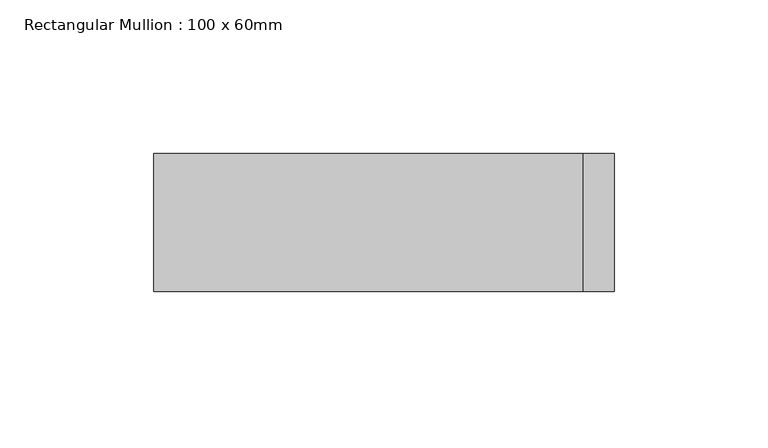
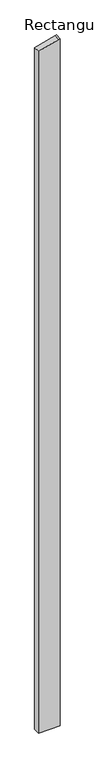
"""IFC4 building model written with IfcOpenShell, lengths in millimetres: member geometry, Rectangular Mullion : 100 x 60mm."""

from ifc_helpers import new_model, si_unit, frame, origin, place, context, project, spatial, polyline, outline, extrude, source, transform, mapped, element, save


def rectangular_mullion_100_x_60mm_8bec23c1(model_context):
    return source(origin(), model_context, "Body", "SweptSolid", [
        extrude(outline(polyline([(-238.7228557, 75.0), (-241.4814566, 64.7047613), (-278.9152345, -75.0), (-5256.0718257, -75.0), (-5256.0718257, 75.0), (-238.7228557, 75.0)])), frame((0.0, -30.0, 0.0), z_axis=(0.0, 1.0, 0.0), x_axis=(0.0, 0.0, 1.0)), (0.0, 0.0, 1.0), 45.0),
    ])


if __name__ == "__main__":
    model = new_model("IFC4")
    model_context = context("Model", 3, world=origin())
    ifc_project = project(units=[si_unit("LENGTHUNIT", "METRE", prefix="MILLI")], contexts=[model_context])
    site = spatial("IfcSite", under=ifc_project)
    building = spatial("IfcBuilding", under=site)
    placement = place(None, origin())
    rectangular_mullion_100_x_60mm_shape = rectangular_mullion_100_x_60mm_8bec23c1(model_context)
    element("IfcMember", 1, ObjectType="Rectangular Mullion : 100 x 60mm", at=placement, inside=building, context=model_context, shape_type="MappedRepresentation", body=[
        mapped(rectangular_mullion_100_x_60mm_shape, transform((0.0, 0.0, 0.0), x_axis=(1.0, 0.0, 0.0), y_axis=(0.0, 1.0, 0.0), z_axis=(0.0, 0.0, 1.0))),
    ])
    save(model, "model.ifc")
